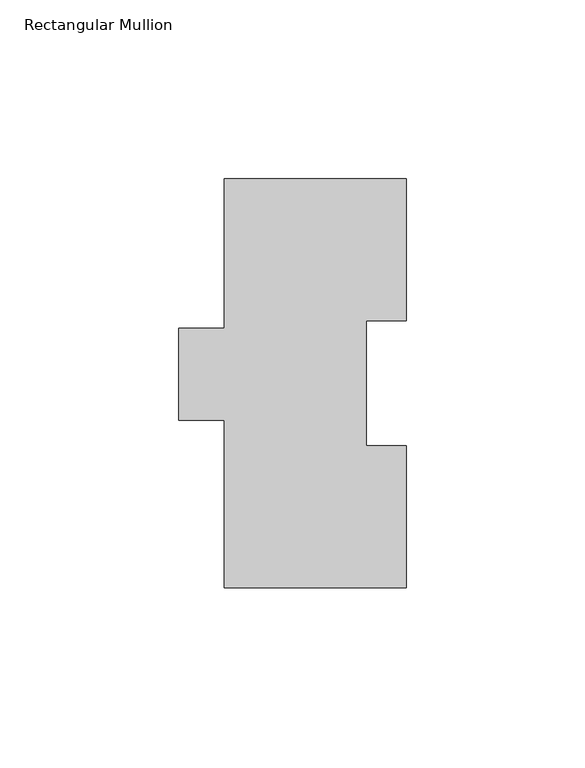
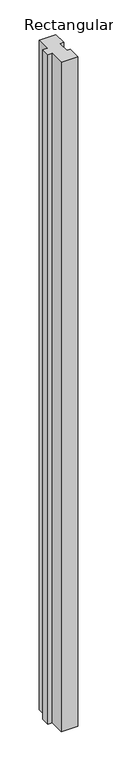
"""IFC4 building model written with IfcOpenShell, lengths in millimetres: member geometry, Rectangular Mullion."""

import ifcopenshell
import ifcopenshell.guid

model = None  # the IFC model being written
_history = None  # IfcOwnerHistory: only IFC2X3 demands one
_inside = {}  # id of a spatial element -> (the spatial element, [elements in it])
_under = {}  # id of a project, library or spatial element -> (it, [spatial elements below it])
_declared = {}  # id of a project -> (the project, [libraries it declares])
_typed = {}  # id of a type object -> (the type object, [elements of that type])
_made_of = {}  # id of a material, layer set ... -> (it, [elements and type objects made of it])


def new_model(schema):
    """Start an empty IFC model of exactly this schema.

    Asked for "IFC4X3", IfcOpenShell would pick the latest addendum, in which some entities
    have other attributes; the version numbers below select the first issue.
    IFC2X3 requires an IfcOwnerHistory on every rooted entity: one is made here for all.
    """
    global model, _history
    if schema == "IFC4X3":
        model = ifcopenshell.file(schema_version=(4, 3, 0, 0))
    else:
        model = ifcopenshell.file(schema=schema)
    _inside.clear()
    _under.clear()
    _declared.clear()
    _typed.clear()
    _made_of.clear()
    _history = None
    if model.schema == "IFC2X3":
        org = make("IfcOrganization", Name="unknown")
        user = make(
            "IfcPersonAndOrganization",
            ThePerson=make("IfcPerson", FamilyName="unknown"),
            TheOrganization=org,
        )
        app = make(
            "IfcApplication",
            ApplicationDeveloper=org,
            Version="unknown",
            ApplicationFullName="unknown",
            ApplicationIdentifier="unknown",
        )
        _history = make(
            "IfcOwnerHistory",
            OwningUser=user,
            OwningApplication=app,
            ChangeAction="ADDED",
            CreationDate=0,
        )
    return model


def make(cls, **values):
    """One entity of the class cls with the attributes given. An attribute that is None is left unset."""
    return model.create_entity(
        cls, **{name: value for name, value in values.items() if value is not None}
    )


def rooted(cls, **values):
    """An entity with a GlobalId (a new one), such as an element, a storey or a relation."""
    return make(cls, GlobalId=ifcopenshell.guid.new(), OwnerHistory=_history, **values)


def si_unit(unit_type, name, prefix=None):
    """IfcSIUnit, for example si_unit("LENGTHUNIT", "METRE", prefix="MILLI")."""
    return make("IfcSIUnit", UnitType=unit_type, Prefix=prefix, Name=name)


def assignment(units):
    """IfcUnitAssignment: the units of a project."""
    return None if units is None else make("IfcUnitAssignment", Units=units)


def point(xyz):
    """IfcCartesianPoint."""
    return None if xyz is None else make("IfcCartesianPoint", Coordinates=xyz)


def direction(xyz):
    """IfcDirection."""
    return None if xyz is None else make("IfcDirection", DirectionRatios=xyz)


def frame(location, z_axis=None, x_axis=None):
    """IfcAxis2Placement3D, a coordinate frame: its origin and axes. An axis left out is left unset."""
    return make(
        "IfcAxis2Placement3D",
        Location=point(location),
        Axis=direction(z_axis),
        RefDirection=direction(x_axis),
    )


def origin():
    """The frame at (0, 0, 0) with its axes left unset."""
    return frame((0.0, 0.0, 0.0))


def place(relative_to, where):
    """IfcLocalPlacement: puts the frame where relative to a parent placement (None: the world)."""
    return make(
        "IfcLocalPlacement", PlacementRelTo=relative_to, RelativePlacement=where
    )


def context(
    kind, dimensions, precision=None, world=None, true_north=None, identifier=None
):
    """IfcGeometricRepresentationContext, for example the 3D "Model" context."""
    return make(
        "IfcGeometricRepresentationContext",
        ContextIdentifier=identifier,
        ContextType=kind,
        CoordinateSpaceDimension=dimensions,
        Precision=precision,
        WorldCoordinateSystem=world,
        TrueNorth=true_north,
    )


def project(units=None, contexts=None):
    """IfcProject with its units and contexts."""
    return rooted(
        "IfcProject",
        Name="project",
        RepresentationContexts=contexts,
        UnitsInContext=assignment(units),
    )


def spatial(cls, under=None, at=None, **own):
    """A site, building, storey or space (cls), placed at a placement, below another one or the project."""
    s = rooted(cls, ObjectPlacement=at, **own)
    if under is not None:
        _under.setdefault(under.id(), (under, []))[1].append(s)
    return s


def polyline(points):
    """IfcPolyline through the points."""
    return make("IfcPolyline", Points=[point(p) for p in points])


def outline(outer, holes=None, kind="AREA"):
    """IfcArbitraryClosedProfileDef: a profile drawn as a closed curve; with holes, ...WithVoids."""
    if holes is None:
        return make("IfcArbitraryClosedProfileDef", ProfileType=kind, OuterCurve=outer)
    return make(
        "IfcArbitraryProfileDefWithVoids",
        ProfileType=kind,
        OuterCurve=outer,
        InnerCurves=holes,
    )


def extrude(swept, where, along, depth):
    """IfcExtrudedAreaSolid: the profile swept, set in the frame where, extruded along a direction by depth."""
    return make(
        "IfcExtrudedAreaSolid",
        SweptArea=swept,
        Position=where,
        ExtrudedDirection=direction(along),
        Depth=depth,
    )


def shape(context_of_items, identifier, shape_type, items):
    """IfcShapeRepresentation: the items that make up one representation, for example the "Body"."""
    return make(
        "IfcShapeRepresentation",
        ContextOfItems=context_of_items,
        RepresentationIdentifier=identifier,
        RepresentationType=shape_type,
        Items=items,
    )


def source(mapping_origin, context_of_items, identifier, shape_type, items):
    """IfcRepresentationMap: a shape defined once, which mapped items show again and again."""
    return make(
        "IfcRepresentationMap",
        MappingOrigin=mapping_origin,
        MappedRepresentation=shape(context_of_items, identifier, shape_type, items),
    )


def transform(
    local_origin,
    x_axis=None,
    y_axis=None,
    z_axis=None,
    scale=None,
    scale2=None,
    scale3=None,
    uniform=True,
):
    """IfcCartesianTransformationOperator3D, or its non-uniform kind. x_axis, y_axis, z_axis: its Axis1, 2, 3."""
    if uniform:
        return make(
            "IfcCartesianTransformationOperator3D",
            Axis1=direction(x_axis),
            Axis2=direction(y_axis),
            LocalOrigin=point(local_origin),
            Scale=scale,
            Axis3=direction(z_axis),
        )
    return make(
        "IfcCartesianTransformationOperator3DnonUniform",
        Axis1=direction(x_axis),
        Axis2=direction(y_axis),
        LocalOrigin=point(local_origin),
        Scale=scale,
        Axis3=direction(z_axis),
        Scale2=scale2,
        Scale3=scale3,
    )


def mapped(mapping_source, mapping_target):
    """IfcMappedItem: shows the shape of a source again, moved by a transform."""
    return make(
        "IfcMappedItem", MappingSource=mapping_source, MappingTarget=mapping_target
    )


def made_of(thing, what):
    """Note that an element or type object is made of a material, layer set ...; save() writes the relation."""
    if what is not None:
        _made_of.setdefault(what.id(), (what, []))[1].append(thing)
    return thing


def element(
    cls,
    number,
    at=None,
    inside=None,
    cuts=None,
    type_object=None,
    material=None,
    context=None,
    identifier="Body",
    shape_type=None,
    held_by="IfcProductDefinitionShape",
    body=None,
    shapes=None,
    **own,
):
    """One element of the class cls, such as IfcWall. Its Tag is "e" and its number.

    at: its placement. inside: the storey or other place that contains it. cuts: it is an
    opening in that element (IfcRelVoidsElement). A single representation is given by context,
    identifier, shape_type and body (its items); several are given by shapes. held_by: the class
    of the entity that holds the representations. save() writes the other relations.
    """
    e = rooted(cls, Tag="e%d" % number, ObjectPlacement=at, **own)
    if body is not None:
        shapes = [shape(context, identifier, shape_type, body)]
    if shapes is not None:
        e.Representation = make(held_by, Representations=shapes)
    if inside is not None:
        _inside.setdefault(inside.id(), (inside, []))[1].append(e)
    if cuts is not None:
        rooted(
            "IfcRelVoidsElement", RelatingBuildingElement=cuts, RelatedOpeningElement=e
        )
    if type_object is not None:
        _typed.setdefault(type_object.id(), (type_object, []))[1].append(e)
    return made_of(e, material)


def aggregate(whole, parts):
    """IfcRelAggregates: a whole, such as a stair, and the parts it consists of."""
    return rooted("IfcRelAggregates", RelatingObject=whole, RelatedObjects=parts)


def save(model, path):
    """Write the relations noted so far, then the file.

    IfcRelAggregates (storeys below a building ...), IfcRelContainedInSpatialStructure (elements
    in a storey), IfcRelDefinesByType, IfcRelAssociatesMaterial and IfcRelDeclares: one each for
    every whole, place, type object, material and project.
    """
    for whole, parts in _under.values():
        aggregate(whole, parts)
    for where, things in _inside.values():
        rooted(
            "IfcRelContainedInSpatialStructure",
            RelatedElements=things,
            RelatingStructure=where,
        )
    for kind, things in _typed.values():
        rooted("IfcRelDefinesByType", RelatedObjects=things, RelatingType=kind)
    for what, things in _made_of.values():
        rooted("IfcRelAssociatesMaterial", RelatedObjects=things, RelatingMaterial=what)
    for by, libraries in _declared.values():
        rooted("IfcRelDeclares", RelatingContext=by, RelatedDefinitions=libraries)
    model.write(path)


def rectangular_mullion_1f99d0bd(model_context):
    return source(origin(), model_context, "Body", "SweptSolid", [
        extrude(outline(polyline([(25.4, 114.271425), (25.4, 74.596625), (14.2875, 74.596625), (14.2875, 39.646225), (25.4, 39.646225), (25.4, -0.028575), (-25.4, -0.028575), (-25.4, 46.802675), (-38.1, 46.802675), (-38.1, 72.564625), (-25.4, 72.564625), (-25.4, 114.271425), (25.4, 114.271425)])), frame((0.0, 0.0, -2133.6), z_axis=(0.0, 0.0, 1.0), x_axis=(1.0, 0.0, 0.0)), (0.0, 0.0, 1.0), 2133.6),
    ])


if __name__ == "__main__":
    model = new_model("IFC4")
    model_context = context("Model", 3, world=origin())
    ifc_project = project(units=[si_unit("LENGTHUNIT", "METRE", prefix="MILLI")], contexts=[model_context])
    site = spatial("IfcSite", under=ifc_project)
    building = spatial("IfcBuilding", under=site)
    placement = place(None, origin())
    rectangular_mullion_shape = rectangular_mullion_1f99d0bd(model_context)
    element("IfcMember", 1, ObjectType="Rectangular Mullion", at=placement, inside=building, context=model_context, shape_type="MappedRepresentation", body=[
        mapped(rectangular_mullion_shape, transform((0.0, 0.0, 0.0), x_axis=(1.0, 0.0, 0.0), y_axis=(0.0, 1.0, 0.0), z_axis=(0.0, 0.0, 1.0))),
    ])
    save(model, "model.ifc")
